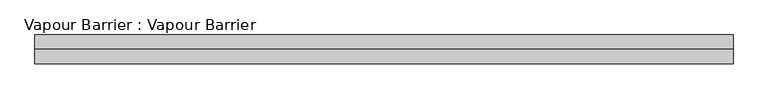
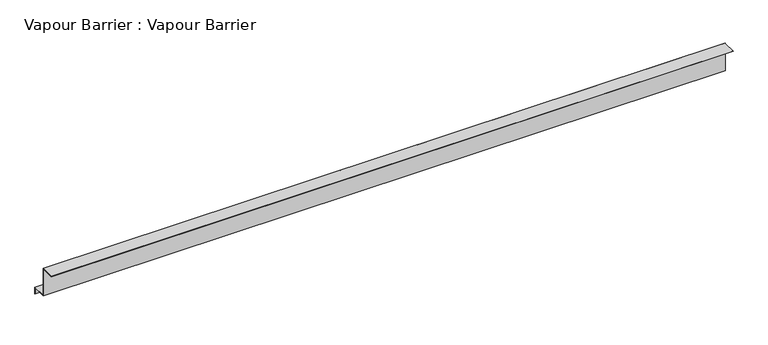
"""IFC4 building model written with IfcOpenShell, lengths in millimetres: proxy geometry, Vapour Barrier : Vapour Barrier."""

import ifcopenshell
import ifcopenshell.guid

model = None  # the IFC model being written
_history = None  # IfcOwnerHistory: only IFC2X3 demands one
_inside = {}  # id of a spatial element -> (the spatial element, [elements in it])
_under = {}  # id of a project, library or spatial element -> (it, [spatial elements below it])
_declared = {}  # id of a project -> (the project, [libraries it declares])
_typed = {}  # id of a type object -> (the type object, [elements of that type])
_made_of = {}  # id of a material, layer set ... -> (it, [elements and type objects made of it])


def new_model(schema):
    """Start an empty IFC model of exactly this schema.

    Asked for "IFC4X3", IfcOpenShell would pick the latest addendum, in which some entities
    have other attributes; the version numbers below select the first issue.
    IFC2X3 requires an IfcOwnerHistory on every rooted entity: one is made here for all.
    """
    global model, _history
    if schema == "IFC4X3":
        model = ifcopenshell.file(schema_version=(4, 3, 0, 0))
    else:
        model = ifcopenshell.file(schema=schema)
    _inside.clear()
    _under.clear()
    _declared.clear()
    _typed.clear()
    _made_of.clear()
    _history = None
    if model.schema == "IFC2X3":
        org = make("IfcOrganization", Name="unknown")
        user = make(
            "IfcPersonAndOrganization",
            ThePerson=make("IfcPerson", FamilyName="unknown"),
            TheOrganization=org,
        )
        app = make(
            "IfcApplication",
            ApplicationDeveloper=org,
            Version="unknown",
            ApplicationFullName="unknown",
            ApplicationIdentifier="unknown",
        )
        _history = make(
            "IfcOwnerHistory",
            OwningUser=user,
            OwningApplication=app,
            ChangeAction="ADDED",
            CreationDate=0,
        )
    return model


def make(cls, **values):
    """One entity of the class cls with the attributes given. An attribute that is None is left unset."""
    return model.create_entity(
        cls, **{name: value for name, value in values.items() if value is not None}
    )


def rooted(cls, **values):
    """An entity with a GlobalId (a new one), such as an element, a storey or a relation."""
    return make(cls, GlobalId=ifcopenshell.guid.new(), OwnerHistory=_history, **values)


def si_unit(unit_type, name, prefix=None):
    """IfcSIUnit, for example si_unit("LENGTHUNIT", "METRE", prefix="MILLI")."""
    return make("IfcSIUnit", UnitType=unit_type, Prefix=prefix, Name=name)


def assignment(units):
    """IfcUnitAssignment: the units of a project."""
    return None if units is None else make("IfcUnitAssignment", Units=units)


def point(xyz):
    """IfcCartesianPoint."""
    return None if xyz is None else make("IfcCartesianPoint", Coordinates=xyz)


def direction(xyz):
    """IfcDirection."""
    return None if xyz is None else make("IfcDirection", DirectionRatios=xyz)


def frame(location, z_axis=None, x_axis=None):
    """IfcAxis2Placement3D, a coordinate frame: its origin and axes. An axis left out is left unset."""
    return make(
        "IfcAxis2Placement3D",
        Location=point(location),
        Axis=direction(z_axis),
        RefDirection=direction(x_axis),
    )


def origin():
    """The frame at (0, 0, 0) with its axes left unset."""
    return frame((0.0, 0.0, 0.0))


def place(relative_to, where):
    """IfcLocalPlacement: puts the frame where relative to a parent placement (None: the world)."""
    return make(
        "IfcLocalPlacement", PlacementRelTo=relative_to, RelativePlacement=where
    )


def context(
    kind, dimensions, precision=None, world=None, true_north=None, identifier=None
):
    """IfcGeometricRepresentationContext, for example the 3D "Model" context."""
    return make(
        "IfcGeometricRepresentationContext",
        ContextIdentifier=identifier,
        ContextType=kind,
        CoordinateSpaceDimension=dimensions,
        Precision=precision,
        WorldCoordinateSystem=world,
        TrueNorth=true_north,
    )


def project(units=None, contexts=None):
    """IfcProject with its units and contexts."""
    return rooted(
        "IfcProject",
        Name="project",
        RepresentationContexts=contexts,
        UnitsInContext=assignment(units),
    )


def spatial(cls, under=None, at=None, **own):
    """A site, building, storey or space (cls), placed at a placement, below another one or the project."""
    s = rooted(cls, ObjectPlacement=at, **own)
    if under is not None:
        _under.setdefault(under.id(), (under, []))[1].append(s)
    return s


def polyline(points):
    """IfcPolyline through the points."""
    return make("IfcPolyline", Points=[point(p) for p in points])


def outline(outer, holes=None, kind="AREA"):
    """IfcArbitraryClosedProfileDef: a profile drawn as a closed curve; with holes, ...WithVoids."""
    if holes is None:
        return make("IfcArbitraryClosedProfileDef", ProfileType=kind, OuterCurve=outer)
    return make(
        "IfcArbitraryProfileDefWithVoids",
        ProfileType=kind,
        OuterCurve=outer,
        InnerCurves=holes,
    )


def extrude(swept, where, along, depth):
    """IfcExtrudedAreaSolid: the profile swept, set in the frame where, extruded along a direction by depth."""
    return make(
        "IfcExtrudedAreaSolid",
        SweptArea=swept,
        Position=where,
        ExtrudedDirection=direction(along),
        Depth=depth,
    )


def shape(context_of_items, identifier, shape_type, items):
    """IfcShapeRepresentation: the items that make up one representation, for example the "Body"."""
    return make(
        "IfcShapeRepresentation",
        ContextOfItems=context_of_items,
        RepresentationIdentifier=identifier,
        RepresentationType=shape_type,
        Items=items,
    )


def source(mapping_origin, context_of_items, identifier, shape_type, items):
    """IfcRepresentationMap: a shape defined once, which mapped items show again and again."""
    return make(
        "IfcRepresentationMap",
        MappingOrigin=mapping_origin,
        MappedRepresentation=shape(context_of_items, identifier, shape_type, items),
    )


def transform(
    local_origin,
    x_axis=None,
    y_axis=None,
    z_axis=None,
    scale=None,
    scale2=None,
    scale3=None,
    uniform=True,
):
    """IfcCartesianTransformationOperator3D, or its non-uniform kind. x_axis, y_axis, z_axis: its Axis1, 2, 3."""
    if uniform:
        return make(
            "IfcCartesianTransformationOperator3D",
            Axis1=direction(x_axis),
            Axis2=direction(y_axis),
            LocalOrigin=point(local_origin),
            Scale=scale,
            Axis3=direction(z_axis),
        )
    return make(
        "IfcCartesianTransformationOperator3DnonUniform",
        Axis1=direction(x_axis),
        Axis2=direction(y_axis),
        LocalOrigin=point(local_origin),
        Scale=scale,
        Axis3=direction(z_axis),
        Scale2=scale2,
        Scale3=scale3,
    )


def mapped(mapping_source, mapping_target):
    """IfcMappedItem: shows the shape of a source again, moved by a transform."""
    return make(
        "IfcMappedItem", MappingSource=mapping_source, MappingTarget=mapping_target
    )


def made_of(thing, what):
    """Note that an element or type object is made of a material, layer set ...; save() writes the relation."""
    if what is not None:
        _made_of.setdefault(what.id(), (what, []))[1].append(thing)
    return thing


def element(
    cls,
    number,
    at=None,
    inside=None,
    cuts=None,
    type_object=None,
    material=None,
    context=None,
    identifier="Body",
    shape_type=None,
    held_by="IfcProductDefinitionShape",
    body=None,
    shapes=None,
    **own,
):
    """One element of the class cls, such as IfcWall. Its Tag is "e" and its number.

    at: its placement. inside: the storey or other place that contains it. cuts: it is an
    opening in that element (IfcRelVoidsElement). A single representation is given by context,
    identifier, shape_type and body (its items); several are given by shapes. held_by: the class
    of the entity that holds the representations. save() writes the other relations.
    """
    e = rooted(cls, Tag="e%d" % number, ObjectPlacement=at, **own)
    if body is not None:
        shapes = [shape(context, identifier, shape_type, body)]
    if shapes is not None:
        e.Representation = make(held_by, Representations=shapes)
    if inside is not None:
        _inside.setdefault(inside.id(), (inside, []))[1].append(e)
    if cuts is not None:
        rooted(
            "IfcRelVoidsElement", RelatingBuildingElement=cuts, RelatedOpeningElement=e
        )
    if type_object is not None:
        _typed.setdefault(type_object.id(), (type_object, []))[1].append(e)
    return made_of(e, material)


def aggregate(whole, parts):
    """IfcRelAggregates: a whole, such as a stair, and the parts it consists of."""
    return rooted("IfcRelAggregates", RelatingObject=whole, RelatedObjects=parts)


def save(model, path):
    """Write the relations noted so far, then the file.

    IfcRelAggregates (storeys below a building ...), IfcRelContainedInSpatialStructure (elements
    in a storey), IfcRelDefinesByType, IfcRelAssociatesMaterial and IfcRelDeclares: one each for
    every whole, place, type object, material and project.
    """
    for whole, parts in _under.values():
        aggregate(whole, parts)
    for where, things in _inside.values():
        rooted(
            "IfcRelContainedInSpatialStructure",
            RelatedElements=things,
            RelatingStructure=where,
        )
    for kind, things in _typed.values():
        rooted("IfcRelDefinesByType", RelatedObjects=things, RelatingType=kind)
    for what, things in _made_of.values():
        rooted("IfcRelAssociatesMaterial", RelatedObjects=things, RelatingMaterial=what)
    for by, libraries in _declared.values():
        rooted("IfcRelDeclares", RelatingContext=by, RelatedDefinitions=libraries)
    model.write(path)


def vapour_barrier_vapour_barrier_9e0c1484(model_context):
    return source(origin(), model_context, "Body", "SweptSolid", [
        extrude(outline(polyline([(-14877.4913257, 1527.2848541), (-14877.4913257, 1425.8881858), (-14827.1455835, 1425.8881858), (-14827.1455835, 1401.6394721), (-14828.1455835, 1401.6394721), (-14828.1455835, 1424.8881858), (-14878.4913257, 1424.8881858), (-14878.4913257, 1526.2848541), (-14927.4913257, 1526.2848541), (-14927.4913257, 1527.2848541), (-14877.4913257, 1527.2848541)])), frame((1587.2859108, 0.0, 0.0), z_axis=(1.0, 0.0, 0.0), x_axis=(0.0, 1.0, 0.0)), (0.0, 0.0, 1.0), 2412.7200833),
    ])


if __name__ == "__main__":
    model = new_model("IFC4")
    model_context = context("Model", 3, world=origin())
    ifc_project = project(units=[si_unit("LENGTHUNIT", "METRE", prefix="MILLI")], contexts=[model_context])
    site = spatial("IfcSite", under=ifc_project)
    building = spatial("IfcBuilding", under=site)
    placement = place(None, origin())
    vapour_barrier_vapour_barrier_shape = vapour_barrier_vapour_barrier_9e0c1484(model_context)
    element("IfcBuildingElementProxy", 1, Name="Vapour Barrier : Vapour Barrier", ObjectType="Vapour Barrier : Vapour Barrier", at=placement, inside=building, context=model_context, shape_type="MappedRepresentation", body=[
        mapped(vapour_barrier_vapour_barrier_shape, transform((0.0, 0.0, 0.0), x_axis=(1.0, 0.0, 0.0), y_axis=(0.0, 1.0, 0.0), z_axis=(0.0, 0.0, 1.0))),
    ])
    save(model, "model.ifc")
